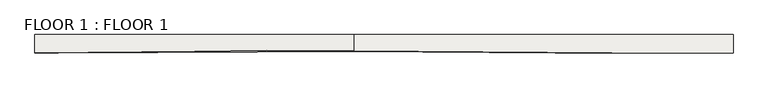
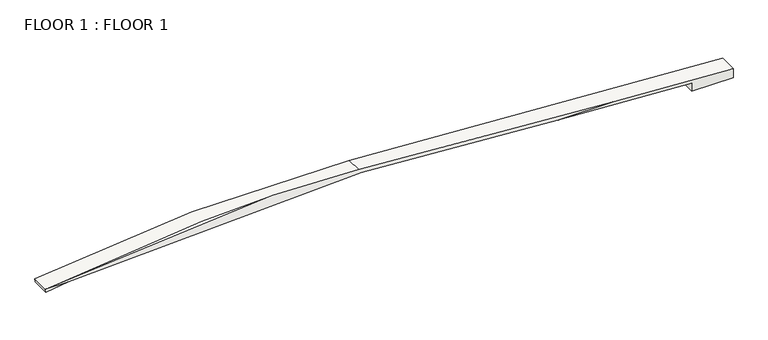
"""IFC4 building model written with IfcOpenShell, lengths in millimetres: slab geometry, FLOOR 1 : FLOOR 1."""

from ifc_helpers import new_model, si_unit, frame, origin, place, context, project, spatial, polyline, circle_curve, ellipse_curve, source, transform, mapped, element, save
from ifc_brep_helpers import plane_surface, cylinder_surface, revolved_surface, advanced_brep


def floor_1_floor_1_3b798175(model_context):
    return source(origin(), model_context, "Body", "AdvancedBrep", [
        advanced_brep(
        [(12720.0784244, -20503.359635, 10074.2804354), (12720.0784244, -20503.359635, 9296.4), (16533.8559655, -20503.359635, 9296.4), (16533.8559655, -20503.359635, 10152.3749631), (5554.5305819, -20503.359635, 10806.0110824), (428.9754245, -20503.359635, 10806.0110824), (-46611.418491, -20503.359635, 10806.0110824), (-46565.1634745, -20503.359635, 10504.7409784), (-44517.7444224, -20503.359635, 10806.0110824), (-17512.9571547, -18826.959635, 11874.1545951), (-46565.1634745, -18826.959635, 10504.7409784), (-46611.418491, -18826.959635, 10806.0110824), (-17727.2676136, -18826.959635, 12192.0547317), (16533.8559655, -18826.959635, 10152.3749631), (16533.8559655, -18826.959635, 9296.4), (12720.0784244, -18826.959635, 9296.4), (12720.0784244, -18826.959635, 10074.2804354), (-17512.9571547, -20335.3240135, 11874.1545951), (-17727.2676136, -20285.3133676, 12192.0547317), (-25638.127005, -20249.359635, 12420.6)],
        [
            (0, 1),
            (1, 2),
            (2, 3),
            (3, 4),
            (4, 5),
            (5, 0),
            (6, 7),
            (7, 8, circle_curve(frame((-25638.127005, -20503.359635, -124606.8031675), z_axis=(0.0, 1.0, 0.0), x_axis=(1.0, 0.0, 0.0)), 136722.6031675)),
            (8, 6),
            (9, 10, circle_curve(frame((-25638.127005, -18826.959635, -124606.8031675), z_axis=(0.0, -1.0, 0.0), x_axis=(1.0, 0.0, 0.0)), 136722.6031675)),
            (10, 11),
            (11, 12, circle_curve(frame((-25638.127005, -18826.959635, -124606.8031675), z_axis=(0.0, 1.0, 0.0), x_axis=(1.0, 0.0, 0.0)), 137027.4031675)),
            (12, 13),
            (13, 14),
            (14, 15),
            (15, 16),
            (16, 9),
            (16, 0),
            (5, 17),
            (17, 9),
            (15, 1),
            (12, 18),
            (18, 4),
            (3, 13),
            (11, 6),
            (6, 19, ellipse_curve(frame((-25638.127005, -41805.9057159, -124606.8031675), z_axis=(0.0, 0.9878509443582926, -0.1554043491361474), x_axis=(0.0, -0.15540434913614737, -0.9878509443582926)), 138712.6306353, 137027.4031675)),
            (19, 18, ellipse_curve(frame((-25638.127005, -41805.9057159, -124606.8031675), z_axis=(0.0, 0.9878509443582926, -0.1554043491361474), x_axis=(0.0, -0.15540434913614737, -0.9878509443582926)), 138712.6306353, 137027.4031675)),
            (10, 7),
            (17, 8, ellipse_curve(frame((-25638.127005, -41805.9057159, -124606.8031675), z_axis=(0.0, -0.9878509443582926, 0.1554043491361474), x_axis=(0.0, 0.15540434913614737, 0.9878509443582926)), 138404.0820615, 136722.6031675)),
            (14, 2),
        ],
        [
            plane_surface(frame((16860.2141437, -20503.359635, 9827.8042495), z_axis=(0.0, -1.0000000000000002, 0.0), x_axis=(0.9982325862784716, 0.0, -0.059428138888862524))),
            plane_surface(frame((16860.2141437, -18826.959635, 9827.8042495), z_axis=(0.0, 1.0000000000000002, 0.0), x_axis=(-0.9982325862784716, 0.0, 0.059428138888862524))),
            plane_surface(frame((-17512.9571547, -20503.359635, 11874.1545951), z_axis=(-0.059428138888862524, 0.0, -0.9982325862784716), x_axis=(0.0, 1.0, 0.0))),
            plane_surface(frame((12720.0784244, -20503.359635, 10074.2804354), z_axis=(-1.0, 0.0, 0.0), x_axis=(0.0, 1.0, 0.0))),
            plane_surface(frame((16533.8559655, -20503.359635, 10152.3749631), z_axis=(0.0594281388888619, 0.0, 0.9982325862784716), x_axis=(0.0, 1.0, 0.0))),
            cylinder_surface(frame((-25638.127005, -18826.959635, -124606.8031675), z_axis=(0.0, -1.0, 0.0), x_axis=(1.0, 0.0, 0.0)), 137027.4031675),
            plane_surface(frame((-46611.418491, -20503.359635, 10806.0110824), z_axis=(-0.9884181139618463, 0.0, -0.15175517122031368), x_axis=(0.0, 1.0, 0.0))),
            revolved_surface(polyline([(111084.4761625, -18826.959635, -124606.8031675), (111084.4761625, -63314.50200645334, -124606.8031675)]), (-25638.127005, -18826.959635, -124606.8031675), (0.0, 1.0, 0.0)),
            plane_surface(frame((12720.0784244, -20503.359635, 9296.4), z_axis=(0.0, 0.0, -1.0), x_axis=(0.0, 1.0, 0.0))),
            plane_surface(frame((16533.8559655, -20503.359635, 9296.4), z_axis=(1.0, 0.0, 0.0), x_axis=(0.0, 1.0, 0.0))),
            plane_surface(frame((-47416.9940345, -20249.359635, 12420.6), z_axis=(0.0, -0.9878509443582926, 0.1554043491361474), x_axis=(1.0, 0.0, 0.0))),
        ],
        [
            (0, [[1, 2, 3, 4, 5, 6]]),
            (0, [[7, 8, 9]]),
            (1, [[10, 11, 12, 13, 14, 15, 16, 17]]),
            (2, [[-17, 18, -6, 19, 20]]),
            (3, [[-1, -18, -16, 21]]),
            (4, [[-13, 22, 23, -4, 24]]),
            (5, [[-12, 25, 26, 27, -22]]),
            (6, [[-7, -25, -11, 28]]),
            (7, [[-10, -20, 29, -8, -28]]),
            (8, [[-2, -21, -15, 30]]),
            (9, [[-3, -30, -14, -24]]),
            (10, [[-5, -23, -27, -26, -9, -29, -19]]),
        ],
    ),
    ])


if __name__ == "__main__":
    model = new_model("IFC4")
    model_context = context("Model", 3, world=origin())
    ifc_project = project(units=[si_unit("LENGTHUNIT", "METRE", prefix="MILLI")], contexts=[model_context])
    site = spatial("IfcSite", under=ifc_project)
    building = spatial("IfcBuilding", under=site)
    placement = place(None, origin())
    floor_1_floor_1_shape = floor_1_floor_1_3b798175(model_context)
    element("IfcSlab", 1, ObjectType="FLOOR 1 : FLOOR 1", at=placement, inside=building, context=model_context, shape_type="MappedRepresentation", body=[
        mapped(floor_1_floor_1_shape, transform((0.0, 0.0, 0.0), x_axis=(1.0, 0.0, 0.0), y_axis=(0.0, 1.0, 0.0), z_axis=(0.0, 0.0, 1.0))),
    ])
    save(model, "model.ifc")
